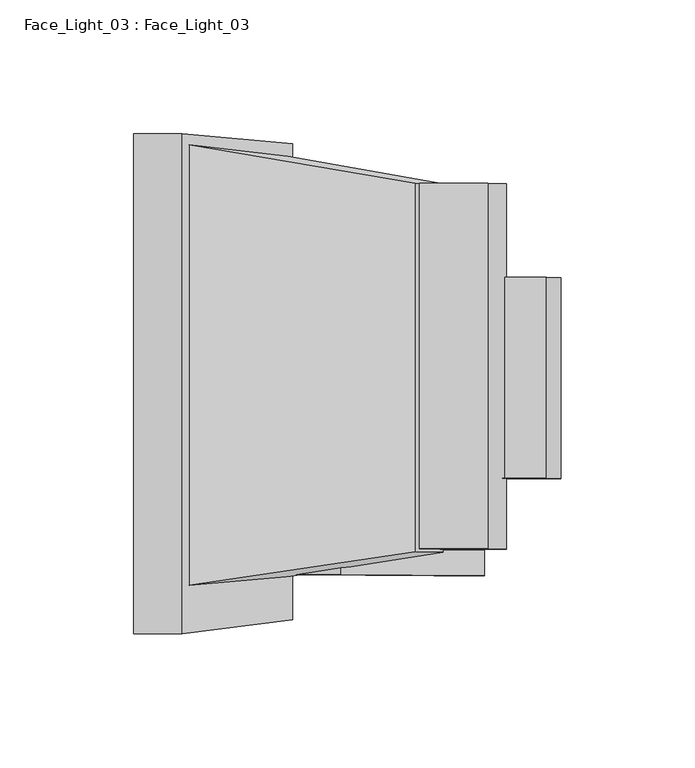
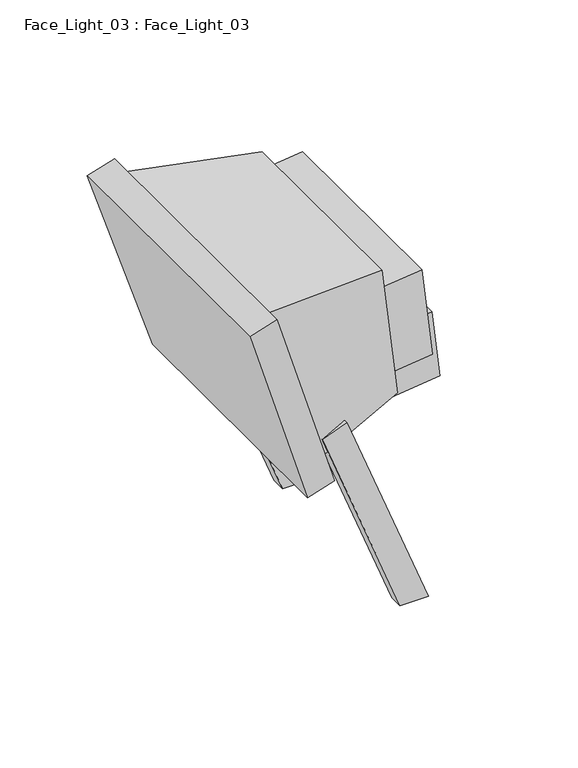
"""IFC4 building model written with IfcOpenShell, lengths in millimetres: light fixture geometry, Face_Light_03 : Face_Light_03."""

from ifc_helpers import new_model, si_unit, frame, origin, place, context, project, spatial, polyline, outline, extrude, faceted_brep, source, transform, mapped, element, save


def face_light_03_face_light_03_7a64af0b(model_context):
    return source(origin(), model_context, "Body", "SolidModel", [
        extrude(outline(polyline([(0.0, 0.0), (1e-07, -150.0), (-17.4882548, -143.2868879), (-17.4882549, 0.0), (0.0, 0.0)])), frame((-44.8867003, -64.3195754, 140.017553), z_axis=(0.0, -0.9999979557717957, 0.0020219921437934496), x_axis=(0.9335804264971971, 0.000724617178567293, 0.3583672169594427)), (0.0, 0.0, 1.0), 9.507793),
        extrude(outline(polyline([(0.0, 0.0), (1e-07, -150.0), (-17.4882548, -143.2868879), (-17.4882549, 0.0), (0.0, 0.0)])), frame((-44.8867003, 70.6804233, 140.0367777), z_axis=(0.0, -0.9999979557717957, 0.0020219921437934496), x_axis=(0.933580426497197, 0.0007246171785672932, 0.3583672169594428)), (0.0, 0.0, 1.0), 9.507793),
        extrude(outline(polyline([(0.0, -75.0), (0.0, 0.0), (41.4405747, 0.0), (41.4405747, -75.0), (0.0, -75.0)])), frame((37.4259066, -37.9028765, 122.4654742), z_axis=(-0.1139885627698486, 0.0020088129244565885, 0.9934800311170321), x_axis=(-0.9934820620210837, -0.00023048397837643027, -0.11398832975121367)), (0.0, 0.0, 1.0), 46.680288),
        extrude(outline(polyline([(0.0, -136.452135), (0.0, 0.0), (25.7000628, -1e-07), (25.7000628, -136.4521351), (0.0, -136.452135)])), frame((17.2301731, -64.2782633, 160.44889), z_axis=(-0.11398856276984902, 0.002008812924456885, 0.993480031117032), x_axis=(-0.9934820620210836, -0.00023048397837644501, -0.11398832975121409)), (0.0, 0.0, 1.0), 62.0048792),
        extrude(outline(polyline([(-131.6794979, 0.0), (4.9010419, 0.0), (9.2234036, -177.7351143), (-127.1428516, -186.5464815), (-131.6794979, 0.0)])), frame((-82.3111128, 87.2295968, 114.6795765), z_axis=(0.9534789552009966, 0.0006095489145599015, 0.30145896974370656), x_axis=(0.3013704809628797, -0.026239239380141454, -0.9531460200415014)), (0.0, 0.0, 1.0), 18.949197),
        faceted_brep([(-16.808403, 72.3175705, 231.3786847), (-16.808403, -65.2812705, 231.656909), (-6.6027138, -65.4611247, 142.7080864), (-6.6027138, 72.1377163, 142.4298621), (-64.5554653, 82.4342077, 121.3885617), (-101.3776444, 86.6877481, 237.8441447), (-64.5554653, -74.5217108, 121.7059259), (-101.3776444, -77.7909259, 238.17672)], [[[0, 1, 2, 3]], [[0, 3, 4, 5]], [[3, 2, 6, 4]], [[2, 1, 7, 6]], [[1, 0, 5, 7]], [[5, 4, 6, 7]]]),
    ])


if __name__ == "__main__":
    model = new_model("IFC4")
    model_context = context("Model", 3, world=origin())
    ifc_project = project(units=[si_unit("LENGTHUNIT", "METRE", prefix="MILLI")], contexts=[model_context])
    site = spatial("IfcSite", under=ifc_project)
    building = spatial("IfcBuilding", under=site)
    placement = place(None, origin())
    face_light_03_face_light_03_shape = face_light_03_face_light_03_7a64af0b(model_context)
    element("IfcLightFixture", 1, ObjectType="Face_Light_03 : Face_Light_03", at=placement, inside=building, context=model_context, shape_type="MappedRepresentation", body=[
        mapped(face_light_03_face_light_03_shape, transform((0.0, 0.0, 0.0), x_axis=(1.0, 0.0, 0.0), y_axis=(0.0, 1.0, 0.0), z_axis=(0.0, 0.0, 1.0))),
    ])
    save(model, "model.ifc")
